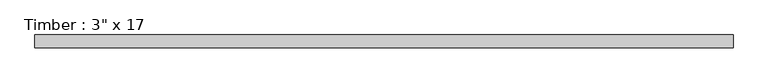
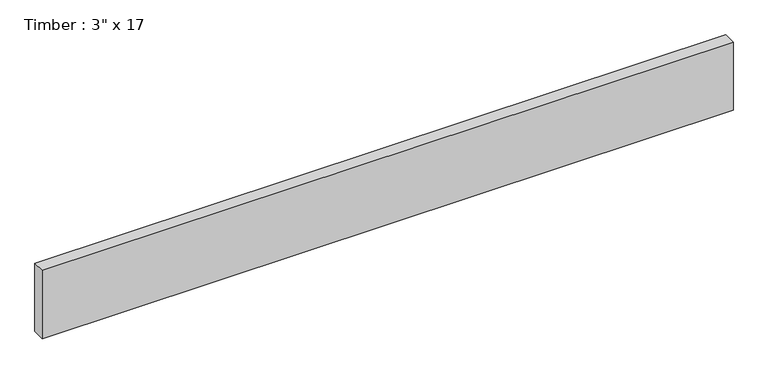
"""IFC4 building model written with IfcOpenShell, lengths in millimetres: beam geometry."""

from ifc_helpers import new_model, si_unit, frame, origin, place, context, project, spatial, polyline, outline, extrude, source, transform, mapped, element, save


def beam_b0d318f7(model_context):
    return source(origin(), model_context, "Body", "SweptSolid", [
        extrude(outline(polyline([(2067.3907509, 38.1), (2067.3907509, -38.1), (-2067.3907509, -38.1), (-2067.3907509, 38.1), (2067.3907509, 38.1)])), frame((0.0, 0.0, -215.9), z_axis=(0.0, 0.0, 1.0), x_axis=(1.0, 0.0, 0.0)), (0.0, 0.0, 1.0), 431.8),
    ])


if __name__ == "__main__":
    model = new_model("IFC4")
    model_context = context("Model", 3, world=origin())
    ifc_project = project(units=[si_unit("LENGTHUNIT", "METRE", prefix="MILLI")], contexts=[model_context])
    site = spatial("IfcSite", under=ifc_project)
    building = spatial("IfcBuilding", under=site)
    placement = place(None, origin())
    beam_shape = beam_b0d318f7(model_context)
    element("IfcBeam", 1, ObjectType="Timber : 3\" x 17", at=placement, inside=building, context=model_context, shape_type="MappedRepresentation", body=[
        mapped(beam_shape, transform((0.0, 0.0, 0.0), x_axis=(1.0, 0.0, 0.0), y_axis=(0.0, 1.0, 0.0), z_axis=(0.0, 0.0, 1.0))),
    ])
    save(model, "model.ifc")
